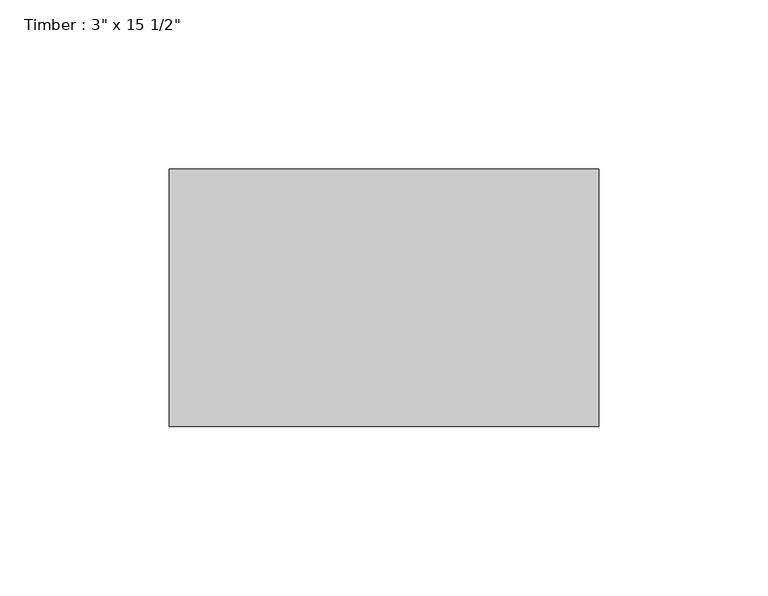
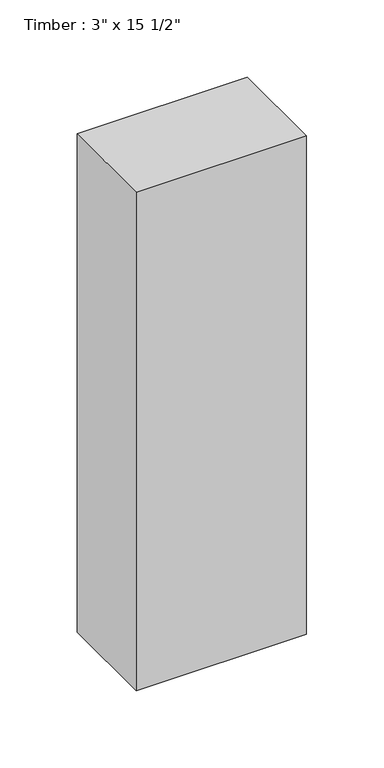
"""IFC4 building model written with IfcOpenShell, lengths in millimetres: beam geometry."""

from ifc_helpers import new_model, si_unit, frame, origin, place, context, project, spatial, polyline, outline, extrude, source, transform, mapped, element, save


def beam_4ca9bed5(model_context):
    return source(origin(), model_context, "Body", "SweptSolid", [
        extrude(outline(polyline([(63.5, 38.1), (63.5, -38.1), (-63.5, -38.1), (-63.5, 38.1), (63.5, 38.1)])), frame((0.0, 0.0, -196.85), z_axis=(0.0, 0.0, 1.0), x_axis=(1.0, 0.0, 0.0)), (0.0, 0.0, 1.0), 393.7),
    ])


if __name__ == "__main__":
    model = new_model("IFC4")
    model_context = context("Model", 3, world=origin())
    ifc_project = project(units=[si_unit("LENGTHUNIT", "METRE", prefix="MILLI")], contexts=[model_context])
    site = spatial("IfcSite", under=ifc_project)
    building = spatial("IfcBuilding", under=site)
    placement = place(None, origin())
    beam_shape = beam_4ca9bed5(model_context)
    element("IfcBeam", 1, ObjectType="Timber : 3\" x 15 1/2\"", at=placement, inside=building, context=model_context, shape_type="MappedRepresentation", body=[
        mapped(beam_shape, transform((0.0, 0.0, 0.0), x_axis=(1.0, 0.0, 0.0), y_axis=(0.0, 1.0, 0.0), z_axis=(0.0, 0.0, 1.0))),
    ])
    save(model, "model.ifc")
